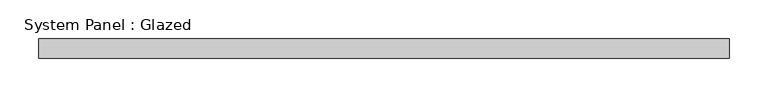
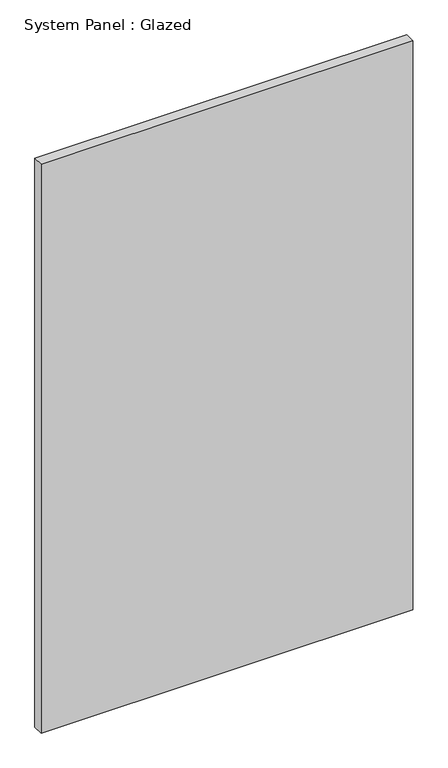
"""IFC4 building model written with IfcOpenShell, lengths in millimetres: plate geometry, System Panel : Glazed."""

from ifc_helpers import new_model, si_unit, origin, origin_with_axes, place, context, project, spatial, polyline, outline, extrude, source, transform, mapped, element, save


def system_panel_glazed_7a83d396(model_context):
    return source(origin(), model_context, "Body", "SweptSolid", [
        extrude(outline(polyline([(447.675, -44.45), (-447.675, -44.45), (-447.675, -19.05), (447.675, -19.05), (447.675, -44.45)])), origin_with_axes(), (0.0, 0.0, 1.0), 1447.8),
    ])


if __name__ == "__main__":
    model = new_model("IFC4")
    model_context = context("Model", 3, world=origin())
    ifc_project = project(units=[si_unit("LENGTHUNIT", "METRE", prefix="MILLI")], contexts=[model_context])
    site = spatial("IfcSite", under=ifc_project)
    building = spatial("IfcBuilding", under=site)
    placement = place(None, origin())
    system_panel_glazed_shape = system_panel_glazed_7a83d396(model_context)
    element("IfcPlate", 1, ObjectType="System Panel : Glazed", at=placement, inside=building, context=model_context, shape_type="MappedRepresentation", body=[
        mapped(system_panel_glazed_shape, transform((0.0, 0.0, 0.0), x_axis=(1.0, 0.0, 0.0), y_axis=(0.0, 1.0, 0.0), z_axis=(0.0, 0.0, 1.0))),
    ])
    save(model, "model.ifc")
